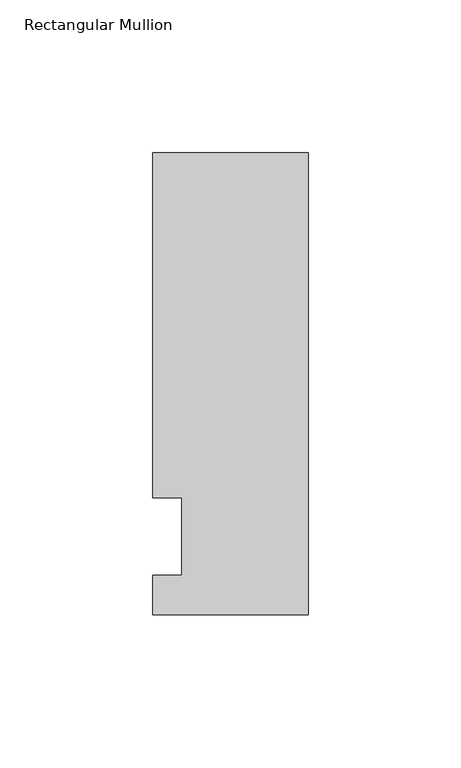
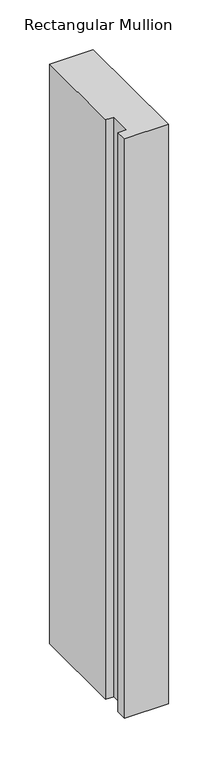
"""IFC4 building model written with IfcOpenShell, lengths in millimetres: member geometry, Rectangular Mullion."""

from ifc_helpers import new_model, si_unit, frame, origin, place, context, project, spatial, polyline, outline, extrude, source, transform, mapped, element, save


def rectangular_mullion_c43ff488(model_context):
    return source(origin(), model_context, "Body", "SweptSolid", [
        extrude(outline(polyline([(-50.8, -25.5984375), (-50.8, -12.7), (-41.275, -12.7), (-41.275, 12.7), (-50.8, 12.7), (-50.8, 125.6109375), (0.0, 125.6109375), (0.0, -25.5984375), (-50.8, -25.5984375)])), frame((0.0, 0.0, -711.2), z_axis=(0.0, 0.0, 1.0), x_axis=(1.0, 0.0, 0.0)), (0.0, 0.0, 1.0), 711.2),
    ])


if __name__ == "__main__":
    model = new_model("IFC4")
    model_context = context("Model", 3, world=origin())
    ifc_project = project(units=[si_unit("LENGTHUNIT", "METRE", prefix="MILLI")], contexts=[model_context])
    site = spatial("IfcSite", under=ifc_project)
    building = spatial("IfcBuilding", under=site)
    placement = place(None, origin())
    rectangular_mullion_shape = rectangular_mullion_c43ff488(model_context)
    element("IfcMember", 1, ObjectType="Rectangular Mullion", at=placement, inside=building, context=model_context, shape_type="MappedRepresentation", body=[
        mapped(rectangular_mullion_shape, transform((0.0, 0.0, 0.0), x_axis=(1.0, 0.0, 0.0), y_axis=(0.0, 1.0, 0.0), z_axis=(0.0, 0.0, 1.0))),
    ])
    save(model, "model.ifc")
